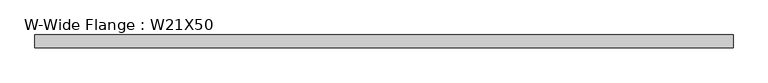
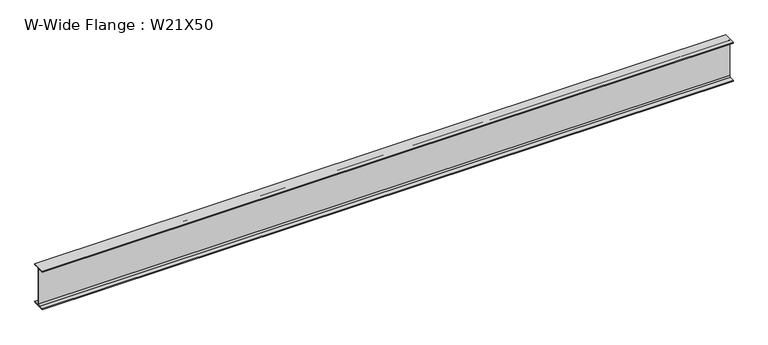
"""IFC4 building model written with IfcOpenShell, lengths in millimetres: beam geometry, W-Wide Flange : W21X50."""

import ifcopenshell
import ifcopenshell.guid

model = None  # the IFC model being written
_history = None  # IfcOwnerHistory: only IFC2X3 demands one
_inside = {}  # id of a spatial element -> (the spatial element, [elements in it])
_under = {}  # id of a project, library or spatial element -> (it, [spatial elements below it])
_declared = {}  # id of a project -> (the project, [libraries it declares])
_typed = {}  # id of a type object -> (the type object, [elements of that type])
_made_of = {}  # id of a material, layer set ... -> (it, [elements and type objects made of it])


def new_model(schema):
    """Start an empty IFC model of exactly this schema.

    Asked for "IFC4X3", IfcOpenShell would pick the latest addendum, in which some entities
    have other attributes; the version numbers below select the first issue.
    IFC2X3 requires an IfcOwnerHistory on every rooted entity: one is made here for all.
    """
    global model, _history
    if schema == "IFC4X3":
        model = ifcopenshell.file(schema_version=(4, 3, 0, 0))
    else:
        model = ifcopenshell.file(schema=schema)
    _inside.clear()
    _under.clear()
    _declared.clear()
    _typed.clear()
    _made_of.clear()
    _history = None
    if model.schema == "IFC2X3":
        org = make("IfcOrganization", Name="unknown")
        user = make(
            "IfcPersonAndOrganization",
            ThePerson=make("IfcPerson", FamilyName="unknown"),
            TheOrganization=org,
        )
        app = make(
            "IfcApplication",
            ApplicationDeveloper=org,
            Version="unknown",
            ApplicationFullName="unknown",
            ApplicationIdentifier="unknown",
        )
        _history = make(
            "IfcOwnerHistory",
            OwningUser=user,
            OwningApplication=app,
            ChangeAction="ADDED",
            CreationDate=0,
        )
    return model


def make(cls, **values):
    """One entity of the class cls with the attributes given. An attribute that is None is left unset."""
    return model.create_entity(
        cls, **{name: value for name, value in values.items() if value is not None}
    )


def rooted(cls, **values):
    """An entity with a GlobalId (a new one), such as an element, a storey or a relation."""
    return make(cls, GlobalId=ifcopenshell.guid.new(), OwnerHistory=_history, **values)


def si_unit(unit_type, name, prefix=None):
    """IfcSIUnit, for example si_unit("LENGTHUNIT", "METRE", prefix="MILLI")."""
    return make("IfcSIUnit", UnitType=unit_type, Prefix=prefix, Name=name)


def assignment(units):
    """IfcUnitAssignment: the units of a project."""
    return None if units is None else make("IfcUnitAssignment", Units=units)


def point(xyz):
    """IfcCartesianPoint."""
    return None if xyz is None else make("IfcCartesianPoint", Coordinates=xyz)


def direction(xyz):
    """IfcDirection."""
    return None if xyz is None else make("IfcDirection", DirectionRatios=xyz)


def frame(location, z_axis=None, x_axis=None):
    """IfcAxis2Placement3D, a coordinate frame: its origin and axes. An axis left out is left unset."""
    return make(
        "IfcAxis2Placement3D",
        Location=point(location),
        Axis=direction(z_axis),
        RefDirection=direction(x_axis),
    )


def frame_2d(location, x_axis=None):
    """IfcAxis2Placement2D, a coordinate frame in the plane: its origin and x axis."""
    return make(
        "IfcAxis2Placement2D", Location=point(location), RefDirection=direction(x_axis)
    )


def origin():
    """The frame at (0, 0, 0) with its axes left unset."""
    return frame((0.0, 0.0, 0.0))


def place(relative_to, where):
    """IfcLocalPlacement: puts the frame where relative to a parent placement (None: the world)."""
    return make(
        "IfcLocalPlacement", PlacementRelTo=relative_to, RelativePlacement=where
    )


def context(
    kind, dimensions, precision=None, world=None, true_north=None, identifier=None
):
    """IfcGeometricRepresentationContext, for example the 3D "Model" context."""
    return make(
        "IfcGeometricRepresentationContext",
        ContextIdentifier=identifier,
        ContextType=kind,
        CoordinateSpaceDimension=dimensions,
        Precision=precision,
        WorldCoordinateSystem=world,
        TrueNorth=true_north,
    )


def project(units=None, contexts=None):
    """IfcProject with its units and contexts."""
    return rooted(
        "IfcProject",
        Name="project",
        RepresentationContexts=contexts,
        UnitsInContext=assignment(units),
    )


def spatial(cls, under=None, at=None, **own):
    """A site, building, storey or space (cls), placed at a placement, below another one or the project."""
    s = rooted(cls, ObjectPlacement=at, **own)
    if under is not None:
        _under.setdefault(under.id(), (under, []))[1].append(s)
    return s


def polyline(points):
    """IfcPolyline through the points."""
    return make("IfcPolyline", Points=[point(p) for p in points])


def circle_curve(where, radius):
    """IfcCircle in the frame where."""
    return make("IfcCircle", Position=where, Radius=radius)


def trimmed(basis, trim1, trim2, sense, master):
    """IfcTrimmedCurve: the piece of a basis curve between two trims."""
    return make(
        "IfcTrimmedCurve",
        BasisCurve=basis,
        Trim1=trim1,
        Trim2=trim2,
        SenseAgreement=sense,
        MasterRepresentation=master,
    )


def segment(curve, same_sense, transition):
    """IfcCompositeCurveSegment."""
    return make(
        "IfcCompositeCurveSegment",
        Transition=transition,
        SameSense=same_sense,
        ParentCurve=curve,
    )


def composite_curve(segments, self_intersect=None):
    """IfcCompositeCurve: segments joined end to end."""
    return make("IfcCompositeCurve", Segments=segments, SelfIntersect=self_intersect)


def outline(outer, holes=None, kind="AREA"):
    """IfcArbitraryClosedProfileDef: a profile drawn as a closed curve; with holes, ...WithVoids."""
    if holes is None:
        return make("IfcArbitraryClosedProfileDef", ProfileType=kind, OuterCurve=outer)
    return make(
        "IfcArbitraryProfileDefWithVoids",
        ProfileType=kind,
        OuterCurve=outer,
        InnerCurves=holes,
    )


def extrude(swept, where, along, depth):
    """IfcExtrudedAreaSolid: the profile swept, set in the frame where, extruded along a direction by depth."""
    return make(
        "IfcExtrudedAreaSolid",
        SweptArea=swept,
        Position=where,
        ExtrudedDirection=direction(along),
        Depth=depth,
    )


def shape(context_of_items, identifier, shape_type, items):
    """IfcShapeRepresentation: the items that make up one representation, for example the "Body"."""
    return make(
        "IfcShapeRepresentation",
        ContextOfItems=context_of_items,
        RepresentationIdentifier=identifier,
        RepresentationType=shape_type,
        Items=items,
    )


def source(mapping_origin, context_of_items, identifier, shape_type, items):
    """IfcRepresentationMap: a shape defined once, which mapped items show again and again."""
    return make(
        "IfcRepresentationMap",
        MappingOrigin=mapping_origin,
        MappedRepresentation=shape(context_of_items, identifier, shape_type, items),
    )


def transform(
    local_origin,
    x_axis=None,
    y_axis=None,
    z_axis=None,
    scale=None,
    scale2=None,
    scale3=None,
    uniform=True,
):
    """IfcCartesianTransformationOperator3D, or its non-uniform kind. x_axis, y_axis, z_axis: its Axis1, 2, 3."""
    if uniform:
        return make(
            "IfcCartesianTransformationOperator3D",
            Axis1=direction(x_axis),
            Axis2=direction(y_axis),
            LocalOrigin=point(local_origin),
            Scale=scale,
            Axis3=direction(z_axis),
        )
    return make(
        "IfcCartesianTransformationOperator3DnonUniform",
        Axis1=direction(x_axis),
        Axis2=direction(y_axis),
        LocalOrigin=point(local_origin),
        Scale=scale,
        Axis3=direction(z_axis),
        Scale2=scale2,
        Scale3=scale3,
    )


def mapped(mapping_source, mapping_target):
    """IfcMappedItem: shows the shape of a source again, moved by a transform."""
    return make(
        "IfcMappedItem", MappingSource=mapping_source, MappingTarget=mapping_target
    )


def made_of(thing, what):
    """Note that an element or type object is made of a material, layer set ...; save() writes the relation."""
    if what is not None:
        _made_of.setdefault(what.id(), (what, []))[1].append(thing)
    return thing


def element(
    cls,
    number,
    at=None,
    inside=None,
    cuts=None,
    type_object=None,
    material=None,
    context=None,
    identifier="Body",
    shape_type=None,
    held_by="IfcProductDefinitionShape",
    body=None,
    shapes=None,
    **own,
):
    """One element of the class cls, such as IfcWall. Its Tag is "e" and its number.

    at: its placement. inside: the storey or other place that contains it. cuts: it is an
    opening in that element (IfcRelVoidsElement). A single representation is given by context,
    identifier, shape_type and body (its items); several are given by shapes. held_by: the class
    of the entity that holds the representations. save() writes the other relations.
    """
    e = rooted(cls, Tag="e%d" % number, ObjectPlacement=at, **own)
    if body is not None:
        shapes = [shape(context, identifier, shape_type, body)]
    if shapes is not None:
        e.Representation = make(held_by, Representations=shapes)
    if inside is not None:
        _inside.setdefault(inside.id(), (inside, []))[1].append(e)
    if cuts is not None:
        rooted(
            "IfcRelVoidsElement", RelatingBuildingElement=cuts, RelatedOpeningElement=e
        )
    if type_object is not None:
        _typed.setdefault(type_object.id(), (type_object, []))[1].append(e)
    return made_of(e, material)


def aggregate(whole, parts):
    """IfcRelAggregates: a whole, such as a stair, and the parts it consists of."""
    return rooted("IfcRelAggregates", RelatingObject=whole, RelatedObjects=parts)


def save(model, path):
    """Write the relations noted so far, then the file.

    IfcRelAggregates (storeys below a building ...), IfcRelContainedInSpatialStructure (elements
    in a storey), IfcRelDefinesByType, IfcRelAssociatesMaterial and IfcRelDeclares: one each for
    every whole, place, type object, material and project.
    """
    for whole, parts in _under.values():
        aggregate(whole, parts)
    for where, things in _inside.values():
        rooted(
            "IfcRelContainedInSpatialStructure",
            RelatedElements=things,
            RelatingStructure=where,
        )
    for kind, things in _typed.values():
        rooted("IfcRelDefinesByType", RelatedObjects=things, RelatingType=kind)
    for what, things in _made_of.values():
        rooted("IfcRelAssociatesMaterial", RelatedObjects=things, RelatingMaterial=what)
    for by, libraries in _declared.values():
        rooted("IfcRelDeclares", RelatingContext=by, RelatedDefinitions=libraries)
    model.write(path)


def w_wide_flange_w21x50_b1d816d0(model_context):
    return source(origin(), model_context, "Body", "SweptSolid", [
        extrude(outline(composite_curve([segment(polyline([(82.946875, -250.5769531), (82.946875, -264.1699219), (-82.946875, -264.1699219), (-82.946875, -250.5769531), (-22.9691406, -250.5769531)]), True, "CONTINUOUS"), segment(trimmed(circle_curve(frame_2d((-22.9691406, -232.4199219)), 18.1570312), [point((-22.9691406, -250.5769531))], [point((-4.8121094, -232.4199219))], True, "CARTESIAN"), True, "CONTINUOUS"), segment(polyline([(-4.8121094, -232.4199219), (-4.8121094, 232.4199219)]), True, "CONTINUOUS"), segment(trimmed(circle_curve(frame_2d((-22.9691406, 232.4199219)), 18.1570312), [point((-4.8121094, 232.4199219))], [point((-22.9691406, 250.5769531))], True, "CARTESIAN"), True, "CONTINUOUS"), segment(polyline([(-22.9691406, 250.5769531), (-82.946875, 250.5769531), (-82.946875, 264.1699219), (82.946875, 264.1699219), (82.946875, 250.5769531), (22.9691406, 250.5769531)]), True, "CONTINUOUS"), segment(trimmed(circle_curve(frame_2d((22.9691406, 232.4199219)), 18.1570312), [point((22.9691406, 250.5769531))], [point((4.8121094, 232.4199219))], True, "CARTESIAN"), True, "CONTINUOUS"), segment(polyline([(4.8121094, 232.4199219), (4.8121094, -232.4199219)]), True, "CONTINUOUS"), segment(trimmed(circle_curve(frame_2d((22.9691406, -232.4199219)), 18.1570312), [point((4.8121094, -232.4199219))], [point((22.9691406, -250.5769531))], True, "CARTESIAN"), True, "CONTINUOUS"), segment(polyline([(22.9691406, -250.5769531), (82.946875, -250.5769531)]), True, "CONTINUOUS")], self_intersect=False)), frame((-4455.1699219, 0.0, 0.0), z_axis=(1.0, 0.0, 0.0), x_axis=(0.0, 1.0, 0.0)), (0.0, 0.0, 1.0), 8911.5800781),
    ])


if __name__ == "__main__":
    model = new_model("IFC4")
    model_context = context("Model", 3, world=origin())
    ifc_project = project(units=[si_unit("LENGTHUNIT", "METRE", prefix="MILLI")], contexts=[model_context])
    site = spatial("IfcSite", under=ifc_project)
    building = spatial("IfcBuilding", under=site)
    placement = place(None, origin())
    w_wide_flange_w21x50_shape = w_wide_flange_w21x50_b1d816d0(model_context)
    element("IfcBeam", 1, ObjectType="W-Wide Flange : W21X50", at=placement, inside=building, context=model_context, shape_type="MappedRepresentation", body=[
        mapped(w_wide_flange_w21x50_shape, transform((0.0, 0.0, 0.0), x_axis=(1.0, 0.0, 0.0), y_axis=(0.0, 1.0, 0.0), z_axis=(0.0, 0.0, 1.0))),
    ])
    save(model, "model.ifc")
